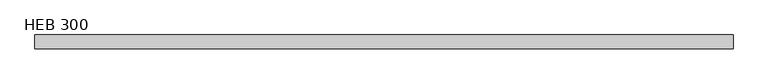
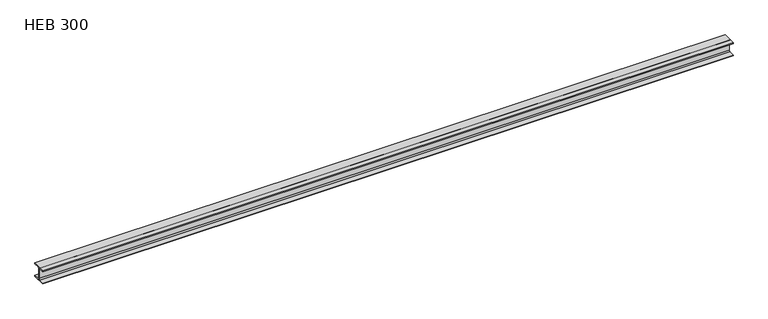
"""IFC4 building model written with IfcOpenShell, lengths in millimetres: beam geometry, HEB 300."""

from ifc_helpers import new_model, si_unit, point, frame, frame_2d, origin, place, context, project, spatial, polyline, circle_curve, trimmed, segment, composite_curve, outline, extrude, source, transform, mapped, element, save


def heb_300_55c78e86(model_context):
    return source(origin(), model_context, "Body", "SweptSolid", [
        extrude(outline(composite_curve([segment(polyline([(150.0, -131.0), (150.0, -150.0), (-150.0, -150.0), (-150.0, -131.0), (-32.5, -131.0)]), True, "CONTINUOUS"), segment(trimmed(circle_curve(frame_2d((-32.5, -104.0)), 27.0), [point((-32.5, -131.0))], [point((-5.5, -104.0))], True, "CARTESIAN"), True, "CONTINUOUS"), segment(polyline([(-5.5, -104.0), (-5.5, 104.0)]), True, "CONTINUOUS"), segment(trimmed(circle_curve(frame_2d((-32.5, 104.0)), 27.0), [point((-5.5, 104.0))], [point((-32.5, 131.0))], True, "CARTESIAN"), True, "CONTINUOUS"), segment(polyline([(-32.5, 131.0), (-150.0, 131.0), (-150.0, 150.0), (150.0, 150.0), (150.0, 131.0), (32.5, 131.0)]), True, "CONTINUOUS"), segment(trimmed(circle_curve(frame_2d((32.5, 104.0)), 27.0), [point((32.5, 131.0))], [point((5.5, 104.0))], True, "CARTESIAN"), True, "CONTINUOUS"), segment(polyline([(5.5, 104.0), (5.5, -104.0)]), True, "CONTINUOUS"), segment(trimmed(circle_curve(frame_2d((32.5, -104.0)), 27.0), [point((5.5, -104.0))], [point((32.5, -131.0))], True, "CARTESIAN"), True, "CONTINUOUS"), segment(polyline([(32.5, -131.0), (150.0, -131.0)]), True, "CONTINUOUS")], self_intersect=False)), frame((-7500.0, 0.0, 0.0), z_axis=(1.0, 0.0, 0.0), x_axis=(0.0, 1.0, 0.0)), (0.0, 0.0, 1.0), 15000.0),
    ])


if __name__ == "__main__":
    model = new_model("IFC4")
    model_context = context("Model", 3, world=origin())
    ifc_project = project(units=[si_unit("LENGTHUNIT", "METRE", prefix="MILLI")], contexts=[model_context])
    site = spatial("IfcSite", under=ifc_project)
    building = spatial("IfcBuilding", under=site)
    placement = place(None, origin())
    heb_300_shape = heb_300_55c78e86(model_context)
    element("IfcBeam", 1, ObjectType="HEB 300", at=placement, inside=building, context=model_context, shape_type="MappedRepresentation", body=[
        mapped(heb_300_shape, transform((0.0, 0.0, 0.0), x_axis=(1.0, 0.0, 0.0), y_axis=(0.0, 1.0, 0.0), z_axis=(0.0, 0.0, 1.0))),
    ])
    save(model, "model.ifc")
